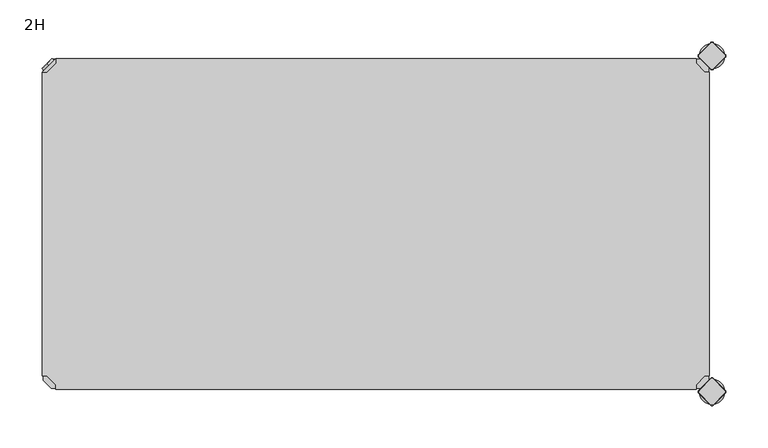
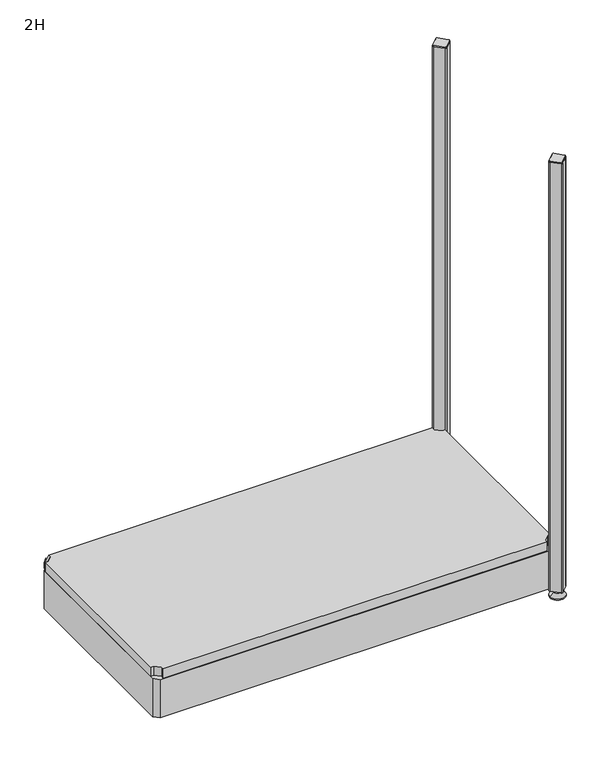
"""IFC4 building model written with IfcOpenShell, lengths in millimetres: furniture geometry, 2H."""

from ifc_helpers import new_model, si_unit, point, frame, frame_2d, origin, place, context, project, spatial, polyline, circle_curve, trimmed, segment, composite_curve, outline, extrude, source, transform, mapped, element, save
from ifc_brep_helpers import plane_surface, cylinder_surface, revolved_surface, advanced_brep


def furniture_2h_c1eea9a8(model_context):
    return source(origin(), model_context, "Body", "SolidModel", [
        advanced_brep(
        [(10.9601551, -10.9601551, 98.5), (10.9601551, -10.9601551, 115.5), (10.9601551, -10.9601551, 107.0), (8.8388348, -8.8388348, 98.5), (8.8388348, -8.8388348, 115.5), (8.8388348, -8.8388348, 107.0)],
        [
            (0, 1, circle_curve(frame((10.9601551, -10.9601551, 107.0), z_axis=(0.7071067811865464, -0.7071067811865487, 0.0), x_axis=(0.0, 0.0, 1.0)), 8.5)),
            (1, 2),
            (2, 0),
            (1, 0, circle_curve(frame((10.9601551, -10.9601551, 107.0), z_axis=(0.7071067811865464, -0.7071067811865487, 0.0), x_axis=(0.0, 0.0, 1.0)), 8.5)),
            (3, 4, circle_curve(frame((8.8388348, -8.8388348, 107.0), z_axis=(0.7071067811865464, -0.7071067811865487, 0.0), x_axis=(0.0, 0.0, 1.0)), 8.5)),
            (4, 1),
            (0, 3),
            (4, 3, circle_curve(frame((8.8388348, -8.8388348, 107.0), z_axis=(0.7071067811865464, -0.7071067811865487, 0.0), x_axis=(0.0, 0.0, 1.0)), 8.5)),
            (5, 4),
            (3, 5),
        ],
        [
            plane_surface(frame((10.9601551, -10.9601551, 107.0), z_axis=(0.707106781186546, -0.7071067811865491, 0.0), x_axis=(0.0, 0.0, 1.0))),
            cylinder_surface(frame((8.8388348, -8.8388348, 107.0), z_axis=(-0.7071067811865464, 0.7071067811865487, 0.0), x_axis=(0.0, 0.0, 1.0)), 8.5),
            plane_surface(frame((8.8388348, -8.8388348, 107.0), z_axis=(-0.707106781186546, 0.7071067811865491, 0.0), x_axis=(0.0, 0.0, 1.0))),
        ],
        [
            (0, [[1, 2, 3]]),
            (0, [[4, -3, -2]]),
            (1, [[5, 6, -1, 7]]),
            (1, [[8, -7, -4, -6]]),
            (2, [[9, -5, 10]]),
            (2, [[-10, -8, -9]]),
        ],
    ),
        advanced_brep(
        [(18.9203102, -3.0, 117.0), (3.0, -18.9203102, 117.0), (8.6568542, -18.9203102, 117.0), (18.9203102, -8.6568542, 117.0), (18.9203102, -3.0, 98.0), (18.9203102, -3.0, 97.0), (3.0, -18.9203102, 97.0), (3.0, -18.9203102, 98.0), (8.6568542, -18.9203102, 98.0), (18.9203102, -8.6568542, 98.0), (31.8093975, -47.7297077, 98.0), (47.7297077, -31.8093975, 98.0), (47.7297077, -31.8093975, 97.0), (31.8093975, -47.7297077, 97.0)],
        [
            (0, 1),
            (1, 2),
            (2, 3),
            (3, 0),
            (0, 4),
            (4, 5),
            (5, 6),
            (6, 7),
            (7, 1),
            (2, 8),
            (8, 9),
            (9, 3),
            (9, 4),
            (7, 8),
            (7, 10),
            (10, 11, circle_curve(frame((39.7695526, -39.7695526, 98.0), z_axis=(0.0, 0.0, 1.0), x_axis=(1.0, 0.0, 0.0)), 11.2573593)),
            (11, 4),
            (5, 12),
            (12, 13, circle_curve(frame((39.7695526, -39.7695526, 97.0), z_axis=(0.0, 0.0, -1.0), x_axis=(1.0, 0.0, 0.0)), 11.2573593)),
            (13, 6),
            (13, 10),
            (12, 11),
        ],
        [
            plane_surface(frame((-38.8756299, -60.7959401, 117.0), z_axis=(0.0, 0.0, 1.0000000000000002), x_axis=(-0.7071067811865557, -0.7071067811865395, 0.0))),
            plane_surface(frame((18.9203102, -3.0, 117.0), z_axis=(-0.7071067811865395, 0.7071067811865557, 0.0), x_axis=(0.0, 0.0, -1.0))),
            plane_surface(frame((8.6568542, -18.9203102, 117.0), z_axis=(0.7071067811865481, -0.7071067811865469, 0.0), x_axis=(0.0, 0.0, -1.0))),
            plane_surface(frame((18.9203102, -8.6568542, 117.0), z_axis=(1.0, 0.0, 0.0), x_axis=(0.0, 0.0, -1.0))),
            plane_surface(frame((3.0, -18.9203102, 117.0), z_axis=(0.0, -1.0, 0.0), x_axis=(0.0, 0.0, -1.0))),
            plane_surface(frame((3.0, -18.9203102, 98.0), z_axis=(0.0, 0.0, 1.0), x_axis=(-0.7071067811865485, -0.7071067811865466, 0.0))),
            plane_surface(frame((3.0, -18.9203102, 97.0), z_axis=(0.0, 0.0, -1.0), x_axis=(0.7071067811865485, 0.7071067811865466, 0.0))),
            plane_surface(frame((3.0, -18.9203102, 98.0), z_axis=(-0.7071067811865491, -0.707106781186546, 0.0), x_axis=(0.0, 0.0, -1.0))),
            cylinder_surface(frame((39.7695526, -39.7695526, 97.0), z_axis=(0.0, 0.0, 1.0), x_axis=(1.0, 0.0, 0.0)), 11.2573593),
            plane_surface(frame((47.7297077, -31.8093975, 98.0), z_axis=(0.707106781186548, 0.7071067811865471, 0.0), x_axis=(0.0, 0.0, -1.0))),
        ],
        [
            (0, [[1, 2, 3, 4]]),
            (1, [[-1, 5, 6, 7, 8, 9]]),
            (2, [[-3, 10, 11, 12]]),
            (3, [[-4, -12, 13, -5]]),
            (4, [[-2, -9, 14, -10]]),
            (5, [[15, 16, 17, -13, -11, -14]]),
            (6, [[18, 19, 20, -7]]),
            (7, [[-15, -8, -20, 21]]),
            (8, [[-16, -21, -19, 22]]),
            (9, [[-17, -22, -18, -6]]),
        ],
    ),
        extrude(outline(polyline([(781.0796898, -3.0), (781.0796898, -8.6568542), (791.3431458, -18.9203102), (797.0, -18.9203102), (797.0, -381.0796898), (791.3431458, -381.0796898), (781.0796898, -391.3431458), (781.0796898, -397.0), (18.9203102, -397.0), (18.9203102, -391.3431458), (8.6568542, -381.0796898), (3.0, -381.0796898), (3.0, -18.9203102), (8.6568542, -18.9203102), (18.9203102, -8.6568542), (18.9203102, -3.0), (781.0796898, -3.0)])), frame((0.0, 0.0, 98.0), z_axis=(0.0, 0.0, 1.0), x_axis=(1.0, 0.0, 0.0)), (0.0, 0.0, 1.0), 19.0),
        advanced_brep(
        [(785.0, -400.0, 0.0), (815.0, -400.0, 0.0), (800.0, -400.0, 0.0), (785.0, -400.0, 2.0), (815.0, -400.0, 2.0), (792.0, -400.0, 9.0), (808.0, -400.0, 9.0), (796.0, -400.0, 9.0), (804.0, -400.0, 9.0), (796.0, -400.0, 15.0), (804.0, -400.0, 15.0), (800.0, -400.0, 15.0)],
        [
            (0, 1, circle_curve(frame((800.0, -400.0, 0.0), z_axis=(0.0, 0.0, -1.0), x_axis=(1.0, 0.0, 0.0)), 15.0)),
            (1, 2),
            (2, 0),
            (1, 0, circle_curve(frame((800.0, -400.0, 0.0), z_axis=(0.0, 0.0, -1.0), x_axis=(1.0, 0.0, 0.0)), 15.0)),
            (3, 4, circle_curve(frame((800.0, -400.0, 2.0), z_axis=(0.0, 0.0, -1.0), x_axis=(1.0, 0.0, 0.0)), 15.0)),
            (4, 1),
            (0, 3),
            (4, 3, circle_curve(frame((800.0, -400.0, 2.0), z_axis=(0.0, 0.0, -1.0), x_axis=(1.0, 0.0, 0.0)), 15.0)),
            (5, 6, circle_curve(frame((800.0, -400.0, 9.0), z_axis=(0.0, 0.0, -1.0), x_axis=(1.0, 0.0, 0.0)), 8.0)),
            (6, 4),
            (3, 5),
            (6, 5, circle_curve(frame((800.0, -400.0, 9.0), z_axis=(0.0, 0.0, -1.0), x_axis=(1.0, 0.0, 0.0)), 8.0)),
            (7, 8, circle_curve(frame((800.0, -400.0, 9.0), z_axis=(0.0, 0.0, -1.0), x_axis=(1.0, 0.0, 0.0)), 4.0)),
            (8, 6),
            (5, 7),
            (8, 7, circle_curve(frame((800.0, -400.0, 9.0), z_axis=(0.0, 0.0, -1.0), x_axis=(1.0, 0.0, 0.0)), 4.0)),
            (9, 10, circle_curve(frame((800.0, -400.0, 15.0), z_axis=(0.0, 0.0, -1.0), x_axis=(1.0, 0.0, 0.0)), 4.0)),
            (10, 8),
            (7, 9),
            (10, 9, circle_curve(frame((800.0, -400.0, 15.0), z_axis=(0.0, 0.0, -1.0), x_axis=(1.0, 0.0, 0.0)), 4.0)),
            (11, 10),
            (9, 11),
        ],
        [
            plane_surface(frame((800.0, -400.0, 0.0), z_axis=(0.0, 0.0, -1.0), x_axis=(1.0, 0.0, 0.0))),
            cylinder_surface(frame((800.0, -400.0, 18.6083303), z_axis=(0.0, 0.0, 1.0), x_axis=(1.0, 0.0, 0.0)), 15.0),
            revolved_surface(polyline([(815.0, -400.0, 2.0), (808.0, -400.0, 9.0)]), (800.0, -400.0, 18.6083303), (0.0, 0.0, 1.0)),
            plane_surface(frame((800.0, -400.0, 9.0), z_axis=(0.0, 0.0, 1.0), x_axis=(1.0, 0.0, 0.0))),
            cylinder_surface(frame((800.0, -400.0, 18.6083303), z_axis=(0.0, 0.0, 1.0), x_axis=(1.0, 0.0, 0.0)), 4.0),
            plane_surface(frame((800.0, -400.0, 15.0), z_axis=(0.0, 0.0, 1.0), x_axis=(1.0, 0.0, 0.0))),
        ],
        [
            (0, [[1, 2, 3]]),
            (0, [[4, -3, -2]]),
            (1, [[5, 6, -1, 7]]),
            (1, [[8, -7, -4, -6]]),
            (2, [[9, 10, -5, 11]]),
            (2, [[12, -11, -8, -10]]),
            (3, [[13, 14, -9, 15]]),
            (3, [[16, -15, -12, -14]]),
            (4, [[17, 18, -13, 19]]),
            (4, [[20, -19, -16, -18]]),
            (5, [[21, -17, 22]]),
            (5, [[-22, -20, -21]]),
        ],
    ),
        advanced_brep(
        [(798.7979185, -384.6557828, 917.0), (784.6557828, -398.7979185, 917.0), (784.6557828, -401.2020815, 917.0), (798.7979185, -415.3442172, 917.0), (801.2020815, -415.3442172, 917.0), (815.3442172, -401.2020815, 917.0), (815.3442172, -398.7979185, 917.0), (801.2020815, -384.6557828, 917.0), (798.232233, -384.0900974, 915.0), (801.767767, -384.0900974, 915.0), (815.9099026, -398.232233, 915.0), (815.9099026, -401.767767, 915.0), (801.767767, -415.9099026, 915.0), (798.232233, -415.9099026, 915.0), (784.0900974, -401.767767, 915.0), (784.0900974, -398.232233, 915.0)],
        [
            (0, 1),
            (1, 2, circle_curve(frame((785.8578644, -400.0, 917.0), z_axis=(0.0, 0.0, 1.0), x_axis=(-0.7071067811865537, 0.7071067811865414, 0.0)), 1.7)),
            (2, 3),
            (3, 4, circle_curve(frame((800.0, -414.1421356, 917.0), z_axis=(0.0, 0.0, 1.0), x_axis=(-0.7071067811865491, -0.707106781186546, 0.0)), 1.7)),
            (4, 5),
            (5, 6, circle_curve(frame((814.1421356, -400.0, 917.0), z_axis=(0.0, 0.0, 1.0), x_axis=(0.707106781186539, -0.7071067811865559, 0.0)), 1.7)),
            (6, 7),
            (7, 0, circle_curve(frame((800.0, -385.8578644, 917.0), z_axis=(0.0, 0.0, 1.0), x_axis=(0.7071067811865458, 0.7071067811865492, 0.0)), 1.7)),
            (8, 9, circle_curve(frame((800.0, -385.8578644, 915.0), z_axis=(0.0, 0.0, -1.0), x_axis=(0.7071067811865458, 0.7071067811865492, 0.0)), 2.5)),
            (9, 10),
            (10, 11, circle_curve(frame((814.1421356, -400.0, 915.0), z_axis=(0.0, 0.0, -1.0), x_axis=(0.707106781186539, -0.7071067811865559, 0.0)), 2.5)),
            (11, 12),
            (12, 13, circle_curve(frame((800.0, -414.1421356, 915.0), z_axis=(0.0, 0.0, -1.0), x_axis=(-0.7071067811865491, -0.707106781186546, 0.0)), 2.5)),
            (13, 14),
            (14, 15, circle_curve(frame((785.8578644, -400.0, 915.0), z_axis=(0.0, 0.0, -1.0), x_axis=(-0.7071067811865537, 0.7071067811865414, 0.0)), 2.5)),
            (15, 8),
            (15, 1),
            (0, 8),
            (14, 2),
            (13, 3),
            (12, 4),
            (11, 5),
            (10, 6),
            (9, 7),
        ],
        [
            plane_surface(frame((800.0, -400.0, 917.0), z_axis=(0.0, 0.0, 1.0), x_axis=(-0.7071067811865486, 0.7071067811865466, 0.0))),
            plane_surface(frame((800.0, -400.0, 915.0), z_axis=(0.0, 0.0, -1.0), x_axis=(-0.7071067811865486, 0.7071067811865466, 0.0))),
            plane_surface(frame((791.1611652, -391.1611652, 915.0), z_axis=(-0.6565321642986388, 0.6565321642986298, 0.3713906763540281), x_axis=(-0.7071067811865408, -0.7071067811865543, 0.0))),
            revolved_surface(polyline([(784.65578284, -398.79791844, 917.0), (784.0900974, -398.232233, 915.0)]), (785.8578644, -400.0, 921.25), (0.0, 0.0, -1.0)),
            plane_surface(frame((791.1611652, -408.8388348, 915.0), z_axis=(-0.6565321642986306, -0.656532164298643, 0.3713906763540188), x_axis=(0.7071067811865523, -0.7071067811865428, 0.0))),
            revolved_surface(polyline([(798.79791844, -415.34421716, 917.0), (798.232233, -415.9099026, 915.0)]), (800.0, -414.1421356, 921.25), (0.0, 0.0, -1.0)),
            plane_surface(frame((808.8388348, -408.8388348, 915.0), z_axis=(0.6565321642986299, -0.656532164298642, 0.3713906763540221), x_axis=(0.7071067811865541, 0.707106781186541, 0.0))),
            revolved_surface(polyline([(815.34421716, -401.20208156, 917.0), (815.9099026, -401.767767, 915.0)]), (814.1421356, -400.0, 921.25), (0.0, 0.0, -1.0)),
            plane_surface(frame((808.8388348, -391.1611652, 915.0), z_axis=(0.6565321642986411, 0.6565321642986284, 0.37139067635402634), x_axis=(-0.7071067811865407, 0.7071067811865545, 0.0))),
            revolved_surface(polyline([(801.20208156, -384.65578284, 917.0), (801.767767, -384.0900974, 915.0)]), (800.0, -385.8578644, 921.25), (0.0, 0.0, -1.0)),
        ],
        [
            (0, [[1, 2, 3, 4, 5, 6, 7, 8]]),
            (1, [[9, 10, 11, 12, 13, 14, 15, 16]]),
            (2, [[-16, 17, -1, 18]]),
            (3, [[-15, 19, -2, -17]]),
            (4, [[-14, 20, -3, -19]]),
            (5, [[-13, 21, -4, -20]]),
            (6, [[-12, 22, -5, -21]]),
            (7, [[-11, 23, -6, -22]]),
            (8, [[-10, 24, -7, -23]]),
            (9, [[-9, -18, -8, -24]]),
        ],
    ),
        extrude(outline(composite_curve([segment(trimmed(circle_curve(frame_2d((814.1421356, -400.0)), 2.5), [point((815.9099026, -398.232233))], [point((815.9099026, -401.767767))], False, "CARTESIAN"), True, "CONTINUOUS"), segment(polyline([(815.9099026, -401.767767), (801.767767, -415.9099026)]), True, "CONTINUOUS"), segment(trimmed(circle_curve(frame_2d((800.0, -414.1421356)), 2.5), [point((801.767767, -415.9099026))], [point((798.232233, -415.9099026))], False, "CARTESIAN"), True, "CONTINUOUS"), segment(polyline([(798.232233, -415.9099026), (784.0900974, -401.767767)]), True, "CONTINUOUS"), segment(trimmed(circle_curve(frame_2d((785.8578644, -400.0)), 2.5), [point((784.0900974, -401.767767))], [point((784.0900974, -398.232233))], False, "CARTESIAN"), True, "CONTINUOUS"), segment(polyline([(784.0900974, -398.232233), (798.232233, -384.0900974)]), True, "CONTINUOUS"), segment(trimmed(circle_curve(frame_2d((800.0, -385.8578644)), 2.5), [point((798.232233, -384.0900974))], [point((801.767767, -384.0900974))], False, "CARTESIAN"), True, "CONTINUOUS"), segment(polyline([(801.767767, -384.0900974), (815.9099026, -398.232233)]), True, "CONTINUOUS")], self_intersect=False)), frame((0.0, 0.0, 15.0), z_axis=(0.0, 0.0, 1.0), x_axis=(1.0, 0.0, 0.0)), (0.0, 0.0, 1.0), 900.0),
        advanced_brep(
        [(785.0, 0.0, 0.0), (815.0, 0.0, 0.0), (800.0, 0.0, 0.0), (785.0, 0.0, 2.0), (815.0, 0.0, 2.0), (792.0, 0.0, 9.0), (808.0, 0.0, 9.0), (796.0, 0.0, 9.0), (804.0, 0.0, 9.0), (796.0, 0.0, 15.0), (804.0, 0.0, 15.0), (800.0, 0.0, 15.0)],
        [
            (0, 1, circle_curve(frame((800.0, 0.0, 0.0), z_axis=(0.0, 0.0, -1.0), x_axis=(1.0, 0.0, 0.0)), 15.0)),
            (1, 2),
            (2, 0),
            (1, 0, circle_curve(frame((800.0, 0.0, 0.0), z_axis=(0.0, 0.0, -1.0), x_axis=(1.0, 0.0, 0.0)), 15.0)),
            (3, 4, circle_curve(frame((800.0, 0.0, 2.0), z_axis=(0.0, 0.0, -1.0), x_axis=(1.0, 0.0, 0.0)), 15.0)),
            (4, 1),
            (0, 3),
            (4, 3, circle_curve(frame((800.0, 0.0, 2.0), z_axis=(0.0, 0.0, -1.0), x_axis=(1.0, 0.0, 0.0)), 15.0)),
            (5, 6, circle_curve(frame((800.0, 0.0, 9.0), z_axis=(0.0, 0.0, -1.0), x_axis=(1.0, 0.0, 0.0)), 8.0)),
            (6, 4),
            (3, 5),
            (6, 5, circle_curve(frame((800.0, 0.0, 9.0), z_axis=(0.0, 0.0, -1.0), x_axis=(1.0, 0.0, 0.0)), 8.0)),
            (7, 8, circle_curve(frame((800.0, 0.0, 9.0), z_axis=(0.0, 0.0, -1.0), x_axis=(1.0, 0.0, 0.0)), 4.0)),
            (8, 6),
            (5, 7),
            (8, 7, circle_curve(frame((800.0, 0.0, 9.0), z_axis=(0.0, 0.0, -1.0), x_axis=(1.0, 0.0, 0.0)), 4.0)),
            (9, 10, circle_curve(frame((800.0, 0.0, 15.0), z_axis=(0.0, 0.0, -1.0), x_axis=(1.0, 0.0, 0.0)), 4.0)),
            (10, 8),
            (7, 9),
            (10, 9, circle_curve(frame((800.0, 0.0, 15.0), z_axis=(0.0, 0.0, -1.0), x_axis=(1.0, 0.0, 0.0)), 4.0)),
            (11, 10),
            (9, 11),
        ],
        [
            plane_surface(frame((800.0, 0.0, 0.0), z_axis=(0.0, 0.0, -1.0), x_axis=(1.0, 0.0, 0.0))),
            cylinder_surface(frame((800.0, 0.0, 18.6083303), z_axis=(0.0, 0.0, 1.0), x_axis=(1.0, 0.0, 0.0)), 15.0),
            revolved_surface(polyline([(815.0, 0.0, 2.0), (808.0, 0.0, 9.0)]), (800.0, 0.0, 18.6083303), (0.0, 0.0, 1.0)),
            plane_surface(frame((800.0, 0.0, 9.0), z_axis=(0.0, 0.0, 1.0), x_axis=(1.0, 0.0, 0.0))),
            cylinder_surface(frame((800.0, 0.0, 18.6083303), z_axis=(0.0, 0.0, 1.0), x_axis=(1.0, 0.0, 0.0)), 4.0),
            plane_surface(frame((800.0, 0.0, 15.0), z_axis=(0.0, 0.0, 1.0), x_axis=(1.0, 0.0, 0.0))),
        ],
        [
            (0, [[1, 2, 3]]),
            (0, [[4, -3, -2]]),
            (1, [[5, 6, -1, 7]]),
            (1, [[8, -7, -4, -6]]),
            (2, [[9, 10, -5, 11]]),
            (2, [[12, -11, -8, -10]]),
            (3, [[13, 14, -9, 15]]),
            (3, [[16, -15, -12, -14]]),
            (4, [[17, 18, -13, 19]]),
            (4, [[20, -19, -16, -18]]),
            (5, [[21, -17, 22]]),
            (5, [[-22, -20, -21]]),
        ],
    ),
        advanced_brep(
        [(798.7979185, 15.3442172, 917.0), (784.6557828, 1.2020815, 917.0), (784.6557828, -1.2020815, 917.0), (798.7979185, -15.3442172, 917.0), (801.2020815, -15.3442172, 917.0), (815.3442172, -1.2020815, 917.0), (815.3442172, 1.2020815, 917.0), (801.2020815, 15.3442172, 917.0), (798.232233, 15.9099026, 915.0), (801.767767, 15.9099026, 915.0), (815.9099026, 1.767767, 915.0), (815.9099026, -1.767767, 915.0), (801.767767, -15.9099026, 915.0), (798.232233, -15.9099026, 915.0), (784.0900974, -1.767767, 915.0), (784.0900974, 1.767767, 915.0)],
        [
            (0, 1),
            (1, 2, circle_curve(frame((785.8578644, 0.0, 917.0), z_axis=(0.0, 0.0, 1.0), x_axis=(-0.7071067811865537, 0.7071067811865414, 0.0)), 1.7)),
            (2, 3),
            (3, 4, circle_curve(frame((800.0, -14.1421356, 917.0), z_axis=(0.0, 0.0, 1.0), x_axis=(-0.7071067811865491, -0.707106781186546, 0.0)), 1.7)),
            (4, 5),
            (5, 6, circle_curve(frame((814.1421356, 0.0, 917.0), z_axis=(0.0, 0.0, 1.0), x_axis=(0.707106781186539, -0.7071067811865559, 0.0)), 1.7)),
            (6, 7),
            (7, 0, circle_curve(frame((800.0, 14.1421356, 917.0), z_axis=(0.0, 0.0, 1.0), x_axis=(0.7071067811865458, 0.7071067811865492, 0.0)), 1.7)),
            (8, 9, circle_curve(frame((800.0, 14.1421356, 915.0), z_axis=(0.0, 0.0, -1.0), x_axis=(0.7071067811865458, 0.7071067811865492, 0.0)), 2.5)),
            (9, 10),
            (10, 11, circle_curve(frame((814.1421356, 0.0, 915.0), z_axis=(0.0, 0.0, -1.0), x_axis=(0.707106781186539, -0.7071067811865559, 0.0)), 2.5)),
            (11, 12),
            (12, 13, circle_curve(frame((800.0, -14.1421356, 915.0), z_axis=(0.0, 0.0, -1.0), x_axis=(-0.7071067811865491, -0.707106781186546, 0.0)), 2.5)),
            (13, 14),
            (14, 15, circle_curve(frame((785.8578644, 0.0, 915.0), z_axis=(0.0, 0.0, -1.0), x_axis=(-0.7071067811865537, 0.7071067811865414, 0.0)), 2.5)),
            (15, 8),
            (15, 1),
            (0, 8),
            (14, 2),
            (13, 3),
            (12, 4),
            (11, 5),
            (10, 6),
            (9, 7),
        ],
        [
            plane_surface(frame((800.0, 0.0, 917.0), z_axis=(0.0, 0.0, 1.0), x_axis=(-0.7071067811865486, 0.7071067811865466, 0.0))),
            plane_surface(frame((800.0, 0.0, 915.0), z_axis=(0.0, 0.0, -1.0), x_axis=(-0.7071067811865486, 0.7071067811865466, 0.0))),
            plane_surface(frame((791.1611652, 8.8388348, 915.0), z_axis=(-0.6565321642986388, 0.6565321642986298, 0.3713906763540281), x_axis=(-0.7071067811865408, -0.7071067811865543, 0.0))),
            revolved_surface(polyline([(784.65578284, 1.20208156, 917.0), (784.0900974, 1.767767, 915.0)]), (785.8578644, 0.0, 921.25), (0.0, 0.0, -1.0)),
            plane_surface(frame((791.1611652, -8.8388348, 915.0), z_axis=(-0.6565321642986306, -0.656532164298643, 0.3713906763540188), x_axis=(0.7071067811865523, -0.7071067811865428, 0.0))),
            revolved_surface(polyline([(798.79791844, -15.34421716, 917.0), (798.232233, -15.9099026, 915.0)]), (800.0, -14.1421356, 921.25), (0.0, 0.0, -1.0)),
            plane_surface(frame((808.8388348, -8.8388348, 915.0), z_axis=(0.6565321642986299, -0.656532164298642, 0.3713906763540221), x_axis=(0.7071067811865541, 0.707106781186541, 0.0))),
            revolved_surface(polyline([(815.34421716, -1.20208156, 917.0), (815.9099026, -1.767767, 915.0)]), (814.1421356, 0.0, 921.25), (0.0, 0.0, -1.0)),
            plane_surface(frame((808.8388348, 8.8388348, 915.0), z_axis=(0.6565321642986411, 0.6565321642986284, 0.37139067635402634), x_axis=(-0.7071067811865407, 0.7071067811865545, 0.0))),
            revolved_surface(polyline([(801.20208156, 15.34421716, 917.0), (801.767767, 15.9099026, 915.0)]), (800.0, 14.1421356, 921.25), (0.0, 0.0, -1.0)),
        ],
        [
            (0, [[1, 2, 3, 4, 5, 6, 7, 8]]),
            (1, [[9, 10, 11, 12, 13, 14, 15, 16]]),
            (2, [[-16, 17, -1, 18]]),
            (3, [[-15, 19, -2, -17]]),
            (4, [[-14, 20, -3, -19]]),
            (5, [[-13, 21, -4, -20]]),
            (6, [[-12, 22, -5, -21]]),
            (7, [[-11, 23, -6, -22]]),
            (8, [[-10, 24, -7, -23]]),
            (9, [[-9, -18, -8, -24]]),
        ],
    ),
        extrude(outline(composite_curve([segment(trimmed(circle_curve(frame_2d((814.1421356, 0.0)), 2.5), [point((815.9099026, 1.767767))], [point((815.9099026, -1.767767))], False, "CARTESIAN"), True, "CONTINUOUS"), segment(polyline([(815.9099026, -1.767767), (801.767767, -15.9099026)]), True, "CONTINUOUS"), segment(trimmed(circle_curve(frame_2d((800.0, -14.1421356)), 2.5), [point((801.767767, -15.9099026))], [point((798.232233, -15.9099026))], False, "CARTESIAN"), True, "CONTINUOUS"), segment(polyline([(798.232233, -15.9099026), (784.0900974, -1.767767)]), True, "CONTINUOUS"), segment(trimmed(circle_curve(frame_2d((785.8578644, 0.0)), 2.5), [point((784.0900974, -1.767767))], [point((784.0900974, 1.767767))], False, "CARTESIAN"), True, "CONTINUOUS"), segment(polyline([(784.0900974, 1.767767), (798.232233, 15.9099026)]), True, "CONTINUOUS"), segment(trimmed(circle_curve(frame_2d((800.0, 14.1421356)), 2.5), [point((798.232233, 15.9099026))], [point((801.767767, 15.9099026))], False, "CARTESIAN"), True, "CONTINUOUS"), segment(polyline([(801.767767, 15.9099026), (815.9099026, 1.767767)]), True, "CONTINUOUS")], self_intersect=False)), frame((0.0, 0.0, 15.0), z_axis=(0.0, 0.0, 1.0), x_axis=(1.0, 0.0, 0.0)), (0.0, 0.0, 1.0), 900.0),
        extrude(outline(polyline([(4.0, -13.6776695), (13.6776695, -4.0), (786.3223305, -4.0), (796.0, -13.6776695), (796.0, -386.3223305), (786.3223305, -396.0), (13.6776695, -396.0), (4.0, -386.3223305), (4.0, -13.6776695)])), frame((0.0, 0.0, 16.0), z_axis=(0.0, 0.0, 1.0), x_axis=(1.0, 0.0, 0.0)), (0.0, 0.0, 1.0), 80.0),
    ])


if __name__ == "__main__":
    model = new_model("IFC4")
    model_context = context("Model", 3, world=origin())
    ifc_project = project(units=[si_unit("LENGTHUNIT", "METRE", prefix="MILLI")], contexts=[model_context])
    site = spatial("IfcSite", under=ifc_project)
    building = spatial("IfcBuilding", under=site)
    placement = place(None, origin())
    furniture_2h_shape = furniture_2h_c1eea9a8(model_context)
    element("IfcFurniture", 1, ObjectType="2H", at=placement, inside=building, context=model_context, shape_type="MappedRepresentation", body=[
        mapped(furniture_2h_shape, transform((0.0, 0.0, 0.0), x_axis=(1.0, 0.0, 0.0), y_axis=(0.0, 1.0, 0.0), z_axis=(0.0, 0.0, 1.0))),
    ])
    save(model, "model.ifc")
